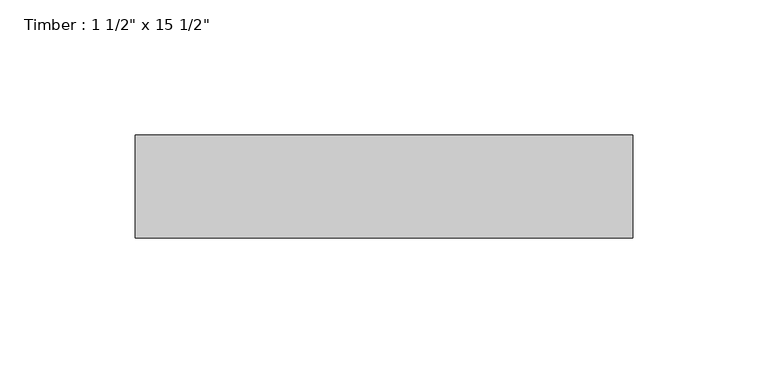
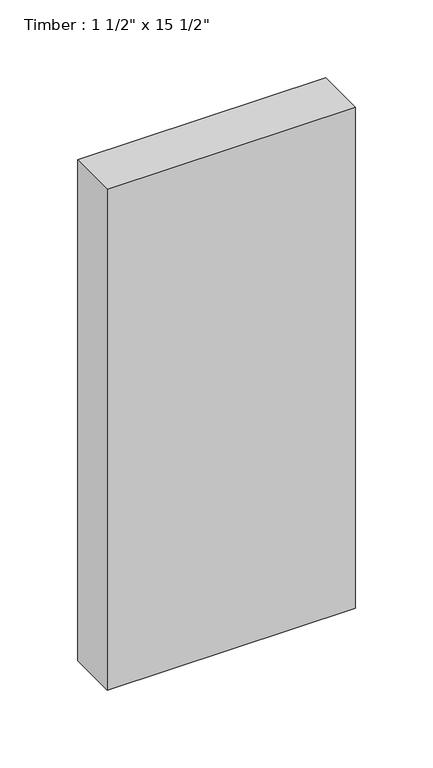
"""IFC4 building model written with IfcOpenShell, lengths in millimetres: beam geometry."""

from ifc_helpers import new_model, si_unit, frame, origin, place, context, project, spatial, polyline, outline, extrude, source, transform, mapped, element, save


def beam_6873d329(model_context):
    return source(origin(), model_context, "Body", "SweptSolid", [
        extrude(outline(polyline([(92.075, 19.05), (92.075, -19.05), (-92.075, -19.05), (-92.075, 19.05), (92.075, 19.05)])), frame((0.0, 0.0, -196.85), z_axis=(0.0, 0.0, 1.0), x_axis=(1.0, 0.0, 0.0)), (0.0, 0.0, 1.0), 393.7),
    ])


if __name__ == "__main__":
    model = new_model("IFC4")
    model_context = context("Model", 3, world=origin())
    ifc_project = project(units=[si_unit("LENGTHUNIT", "METRE", prefix="MILLI")], contexts=[model_context])
    site = spatial("IfcSite", under=ifc_project)
    building = spatial("IfcBuilding", under=site)
    placement = place(None, origin())
    beam_shape = beam_6873d329(model_context)
    element("IfcBeam", 1, ObjectType="Timber : 1 1/2\" x 15 1/2\"", at=placement, inside=building, context=model_context, shape_type="MappedRepresentation", body=[
        mapped(beam_shape, transform((0.0, 0.0, 0.0), x_axis=(1.0, 0.0, 0.0), y_axis=(0.0, 1.0, 0.0), z_axis=(0.0, 0.0, 1.0))),
    ])
    save(model, "model.ifc")
